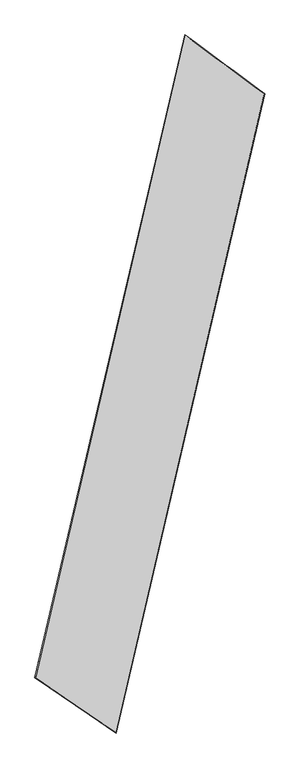
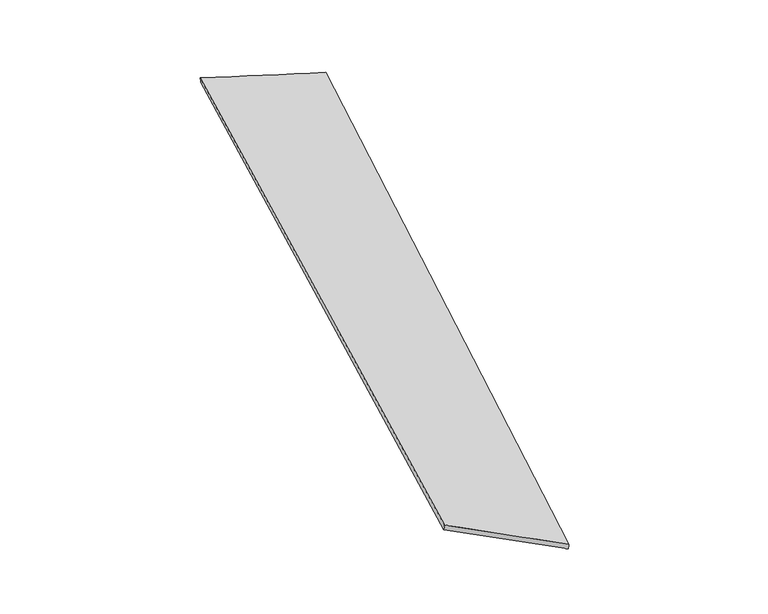
"""IFC4 building model written with IfcOpenShell, lengths in millimetres: proxy geometry."""

from ifc_helpers import new_model, si_unit, origin, place, context, project, spatial, source, transform, mapped, element, save
from ifc_brep_helpers import spline_surface, advanced_brep


def generic_models_8b5eb84c(model_context):
    return source(origin(), model_context, "Body", "AdvancedBrep", [
        advanced_brep(
        [(-690.1875978, -1748.4752478, 43.4086145), (-685.8671528, -1748.8818457, 73.0930959), (303.8011176, 2507.4574306, -13.7683329), (307.4192706, 2506.0013092, -43.5137305), (-149.9441714, -2115.6055667, -13.9613313), (831.9487558, 2117.032225, 73.394638), (-153.8749429, -2114.0714248, -43.6631064), (836.6432701, 2116.5453634, 43.7682224)],
        [
            (0, 1),
            (1, 2),
            (2, 3),
            (3, 0),
            (1, 4),
            (4, 5),
            (5, 2),
            (4, 6),
            (6, 7),
            (7, 5),
            (6, 0),
            (3, 7),
        ],
        [
            spline_surface(1, 1, [[(-690.1875978, -1748.4752478, 43.4086145), (307.4192706, 2506.0013092, -43.5137305)], [(-685.8671528, -1748.8818457, 73.0930959), (303.8011176, 2507.4574306, -13.7683329)]], [2, 2], [2, 2], [0.0, 1.0], [0.0, 1.0]),
            spline_surface(1, 1, [[(-685.8671528, -1748.8818457, 73.0930959), (303.8011176, 2507.4574306, -13.7683329)], [(-149.9441714, -2115.6055667, -13.9613313), (831.9487558, 2117.032225, 73.394638)]], [2, 2], [2, 2], [0.0, 1.0], [0.0, 1.0]),
            spline_surface(1, 1, [[(-149.9441714, -2115.6055667, -13.9613313), (831.9487558, 2117.032225, 73.394638)], [(-153.8749429, -2114.0714248, -43.6631064), (836.6432701, 2116.5453634, 43.7682224)]], [2, 2], [2, 2], [0.0, 1.0], [0.0, 1.0]),
            spline_surface(1, 1, [[(-153.8749429, -2114.0714248, -43.6631064), (836.6432701, 2116.5453634, 43.7682224)], [(-690.1875978, -1748.4752478, 43.4086145), (307.4192706, 2506.0013092, -43.5137305)]], [2, 2], [2, 2], [0.0, 1.0], [0.0, 1.0]),
            spline_surface(1, 1, [[(303.8011176, 2507.4574306, -13.7683329), (307.4192706, 2506.0013092, -43.5137305)], [(831.9487558, 2117.032225, 73.394638), (836.6432701, 2116.5453634, 43.7682224)]], [2, 2], [2, 2], [0.0, 1.0], [0.0, 1.0]),
            spline_surface(1, 1, [[(-153.8749429, -2114.0714248, -43.6631064), (-690.1875978, -1748.4752478, 43.4086145)], [(-149.9441714, -2115.6055667, -13.9613313), (-685.8671528, -1748.8818457, 73.0930959)]], [2, 2], [2, 2], [0.0, 1.0], [0.0, 1.0]),
        ],
        [
            (0, [[1, 2, 3, 4]]),
            (1, [[5, 6, 7, -2]]),
            (2, [[8, 9, 10, -6]]),
            (3, [[11, -4, 12, -9]]),
            (4, [[-3, -7, -10, -12]]),
            (5, [[-11, -8, -5, -1]]),
        ],
    ),
    ])


if __name__ == "__main__":
    model = new_model("IFC4")
    model_context = context("Model", 3, world=origin())
    ifc_project = project(units=[si_unit("LENGTHUNIT", "METRE", prefix="MILLI")], contexts=[model_context])
    site = spatial("IfcSite", under=ifc_project)
    building = spatial("IfcBuilding", under=site)
    placement = place(None, origin())
    generic_models_shape = generic_models_8b5eb84c(model_context)
    element("IfcBuildingElementProxy", 1, Name="Generic Models", at=placement, inside=building, context=model_context, shape_type="MappedRepresentation", body=[
        mapped(generic_models_shape, transform((0.0, 0.0, 0.0), x_axis=(1.0, 0.0, 0.0), y_axis=(0.0, 1.0, 0.0), z_axis=(0.0, 0.0, 1.0))),
    ])
    save(model, "model.ifc")
